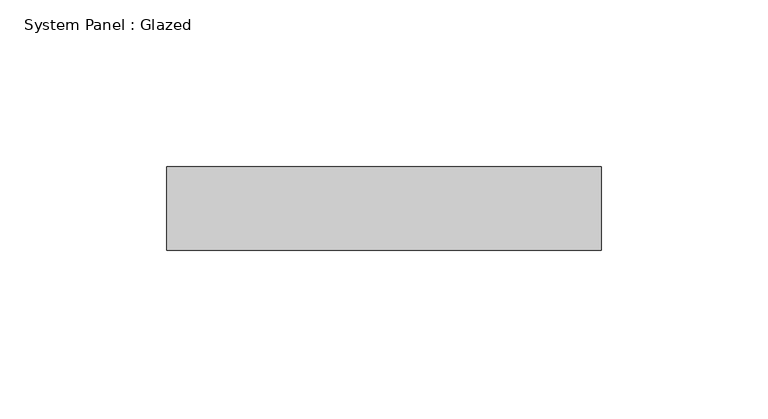
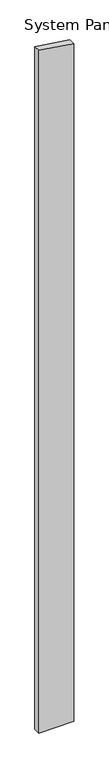
"""IFC4 building model written with IfcOpenShell, lengths in millimetres: plate geometry, System Panel : Glazed."""

import ifcopenshell
import ifcopenshell.guid

model = None  # the IFC model being written
_history = None  # IfcOwnerHistory: only IFC2X3 demands one
_inside = {}  # id of a spatial element -> (the spatial element, [elements in it])
_under = {}  # id of a project, library or spatial element -> (it, [spatial elements below it])
_declared = {}  # id of a project -> (the project, [libraries it declares])
_typed = {}  # id of a type object -> (the type object, [elements of that type])
_made_of = {}  # id of a material, layer set ... -> (it, [elements and type objects made of it])


def new_model(schema):
    """Start an empty IFC model of exactly this schema.

    Asked for "IFC4X3", IfcOpenShell would pick the latest addendum, in which some entities
    have other attributes; the version numbers below select the first issue.
    IFC2X3 requires an IfcOwnerHistory on every rooted entity: one is made here for all.
    """
    global model, _history
    if schema == "IFC4X3":
        model = ifcopenshell.file(schema_version=(4, 3, 0, 0))
    else:
        model = ifcopenshell.file(schema=schema)
    _inside.clear()
    _under.clear()
    _declared.clear()
    _typed.clear()
    _made_of.clear()
    _history = None
    if model.schema == "IFC2X3":
        org = make("IfcOrganization", Name="unknown")
        user = make(
            "IfcPersonAndOrganization",
            ThePerson=make("IfcPerson", FamilyName="unknown"),
            TheOrganization=org,
        )
        app = make(
            "IfcApplication",
            ApplicationDeveloper=org,
            Version="unknown",
            ApplicationFullName="unknown",
            ApplicationIdentifier="unknown",
        )
        _history = make(
            "IfcOwnerHistory",
            OwningUser=user,
            OwningApplication=app,
            ChangeAction="ADDED",
            CreationDate=0,
        )
    return model


def make(cls, **values):
    """One entity of the class cls with the attributes given. An attribute that is None is left unset."""
    return model.create_entity(
        cls, **{name: value for name, value in values.items() if value is not None}
    )


def rooted(cls, **values):
    """An entity with a GlobalId (a new one), such as an element, a storey or a relation."""
    return make(cls, GlobalId=ifcopenshell.guid.new(), OwnerHistory=_history, **values)


def si_unit(unit_type, name, prefix=None):
    """IfcSIUnit, for example si_unit("LENGTHUNIT", "METRE", prefix="MILLI")."""
    return make("IfcSIUnit", UnitType=unit_type, Prefix=prefix, Name=name)


def assignment(units):
    """IfcUnitAssignment: the units of a project."""
    return None if units is None else make("IfcUnitAssignment", Units=units)


def point(xyz):
    """IfcCartesianPoint."""
    return None if xyz is None else make("IfcCartesianPoint", Coordinates=xyz)


def direction(xyz):
    """IfcDirection."""
    return None if xyz is None else make("IfcDirection", DirectionRatios=xyz)


def frame(location, z_axis=None, x_axis=None):
    """IfcAxis2Placement3D, a coordinate frame: its origin and axes. An axis left out is left unset."""
    return make(
        "IfcAxis2Placement3D",
        Location=point(location),
        Axis=direction(z_axis),
        RefDirection=direction(x_axis),
    )


def origin():
    """The frame at (0, 0, 0) with its axes left unset."""
    return frame((0.0, 0.0, 0.0))


def place(relative_to, where):
    """IfcLocalPlacement: puts the frame where relative to a parent placement (None: the world)."""
    return make(
        "IfcLocalPlacement", PlacementRelTo=relative_to, RelativePlacement=where
    )


def context(
    kind, dimensions, precision=None, world=None, true_north=None, identifier=None
):
    """IfcGeometricRepresentationContext, for example the 3D "Model" context."""
    return make(
        "IfcGeometricRepresentationContext",
        ContextIdentifier=identifier,
        ContextType=kind,
        CoordinateSpaceDimension=dimensions,
        Precision=precision,
        WorldCoordinateSystem=world,
        TrueNorth=true_north,
    )


def project(units=None, contexts=None):
    """IfcProject with its units and contexts."""
    return rooted(
        "IfcProject",
        Name="project",
        RepresentationContexts=contexts,
        UnitsInContext=assignment(units),
    )


def spatial(cls, under=None, at=None, **own):
    """A site, building, storey or space (cls), placed at a placement, below another one or the project."""
    s = rooted(cls, ObjectPlacement=at, **own)
    if under is not None:
        _under.setdefault(under.id(), (under, []))[1].append(s)
    return s


def polyline(points):
    """IfcPolyline through the points."""
    return make("IfcPolyline", Points=[point(p) for p in points])


def outline(outer, holes=None, kind="AREA"):
    """IfcArbitraryClosedProfileDef: a profile drawn as a closed curve; with holes, ...WithVoids."""
    if holes is None:
        return make("IfcArbitraryClosedProfileDef", ProfileType=kind, OuterCurve=outer)
    return make(
        "IfcArbitraryProfileDefWithVoids",
        ProfileType=kind,
        OuterCurve=outer,
        InnerCurves=holes,
    )


def extrude(swept, where, along, depth):
    """IfcExtrudedAreaSolid: the profile swept, set in the frame where, extruded along a direction by depth."""
    return make(
        "IfcExtrudedAreaSolid",
        SweptArea=swept,
        Position=where,
        ExtrudedDirection=direction(along),
        Depth=depth,
    )


def shape(context_of_items, identifier, shape_type, items):
    """IfcShapeRepresentation: the items that make up one representation, for example the "Body"."""
    return make(
        "IfcShapeRepresentation",
        ContextOfItems=context_of_items,
        RepresentationIdentifier=identifier,
        RepresentationType=shape_type,
        Items=items,
    )


def source(mapping_origin, context_of_items, identifier, shape_type, items):
    """IfcRepresentationMap: a shape defined once, which mapped items show again and again."""
    return make(
        "IfcRepresentationMap",
        MappingOrigin=mapping_origin,
        MappedRepresentation=shape(context_of_items, identifier, shape_type, items),
    )


def transform(
    local_origin,
    x_axis=None,
    y_axis=None,
    z_axis=None,
    scale=None,
    scale2=None,
    scale3=None,
    uniform=True,
):
    """IfcCartesianTransformationOperator3D, or its non-uniform kind. x_axis, y_axis, z_axis: its Axis1, 2, 3."""
    if uniform:
        return make(
            "IfcCartesianTransformationOperator3D",
            Axis1=direction(x_axis),
            Axis2=direction(y_axis),
            LocalOrigin=point(local_origin),
            Scale=scale,
            Axis3=direction(z_axis),
        )
    return make(
        "IfcCartesianTransformationOperator3DnonUniform",
        Axis1=direction(x_axis),
        Axis2=direction(y_axis),
        LocalOrigin=point(local_origin),
        Scale=scale,
        Axis3=direction(z_axis),
        Scale2=scale2,
        Scale3=scale3,
    )


def mapped(mapping_source, mapping_target):
    """IfcMappedItem: shows the shape of a source again, moved by a transform."""
    return make(
        "IfcMappedItem", MappingSource=mapping_source, MappingTarget=mapping_target
    )


def made_of(thing, what):
    """Note that an element or type object is made of a material, layer set ...; save() writes the relation."""
    if what is not None:
        _made_of.setdefault(what.id(), (what, []))[1].append(thing)
    return thing


def element(
    cls,
    number,
    at=None,
    inside=None,
    cuts=None,
    type_object=None,
    material=None,
    context=None,
    identifier="Body",
    shape_type=None,
    held_by="IfcProductDefinitionShape",
    body=None,
    shapes=None,
    **own,
):
    """One element of the class cls, such as IfcWall. Its Tag is "e" and its number.

    at: its placement. inside: the storey or other place that contains it. cuts: it is an
    opening in that element (IfcRelVoidsElement). A single representation is given by context,
    identifier, shape_type and body (its items); several are given by shapes. held_by: the class
    of the entity that holds the representations. save() writes the other relations.
    """
    e = rooted(cls, Tag="e%d" % number, ObjectPlacement=at, **own)
    if body is not None:
        shapes = [shape(context, identifier, shape_type, body)]
    if shapes is not None:
        e.Representation = make(held_by, Representations=shapes)
    if inside is not None:
        _inside.setdefault(inside.id(), (inside, []))[1].append(e)
    if cuts is not None:
        rooted(
            "IfcRelVoidsElement", RelatingBuildingElement=cuts, RelatedOpeningElement=e
        )
    if type_object is not None:
        _typed.setdefault(type_object.id(), (type_object, []))[1].append(e)
    return made_of(e, material)


def aggregate(whole, parts):
    """IfcRelAggregates: a whole, such as a stair, and the parts it consists of."""
    return rooted("IfcRelAggregates", RelatingObject=whole, RelatedObjects=parts)


def save(model, path):
    """Write the relations noted so far, then the file.

    IfcRelAggregates (storeys below a building ...), IfcRelContainedInSpatialStructure (elements
    in a storey), IfcRelDefinesByType, IfcRelAssociatesMaterial and IfcRelDeclares: one each for
    every whole, place, type object, material and project.
    """
    for whole, parts in _under.values():
        aggregate(whole, parts)
    for where, things in _inside.values():
        rooted(
            "IfcRelContainedInSpatialStructure",
            RelatedElements=things,
            RelatingStructure=where,
        )
    for kind, things in _typed.values():
        rooted("IfcRelDefinesByType", RelatedObjects=things, RelatingType=kind)
    for what, things in _made_of.values():
        rooted("IfcRelAssociatesMaterial", RelatedObjects=things, RelatingMaterial=what)
    for by, libraries in _declared.values():
        rooted("IfcRelDeclares", RelatingContext=by, RelatedDefinitions=libraries)
    model.write(path)


def system_panel_glazed_d5b7075d(model_context):
    return source(origin(), model_context, "Body", "SweptSolid", [
        extrude(outline(polyline([(0.0, -65.0), (0.0, 65.0), (2660.6367132, 65.0), (2679.8697291, -65.0), (0.0, -65.0)])), frame((0.0, 24.5, 0.0), z_axis=(0.0, 1.0, 0.0), x_axis=(0.0, 0.0, 1.0)), (0.0, 0.0, 1.0), 25.0),
    ])


if __name__ == "__main__":
    model = new_model("IFC4")
    model_context = context("Model", 3, world=origin())
    ifc_project = project(units=[si_unit("LENGTHUNIT", "METRE", prefix="MILLI")], contexts=[model_context])
    site = spatial("IfcSite", under=ifc_project)
    building = spatial("IfcBuilding", under=site)
    placement = place(None, origin())
    system_panel_glazed_shape = system_panel_glazed_d5b7075d(model_context)
    element("IfcPlate", 1, ObjectType="System Panel : Glazed", at=placement, inside=building, context=model_context, shape_type="MappedRepresentation", body=[
        mapped(system_panel_glazed_shape, transform((0.0, 0.0, 0.0), x_axis=(1.0, 0.0, 0.0), y_axis=(0.0, 1.0, 0.0), z_axis=(0.0, 0.0, 1.0))),
    ])
    save(model, "model.ifc")
